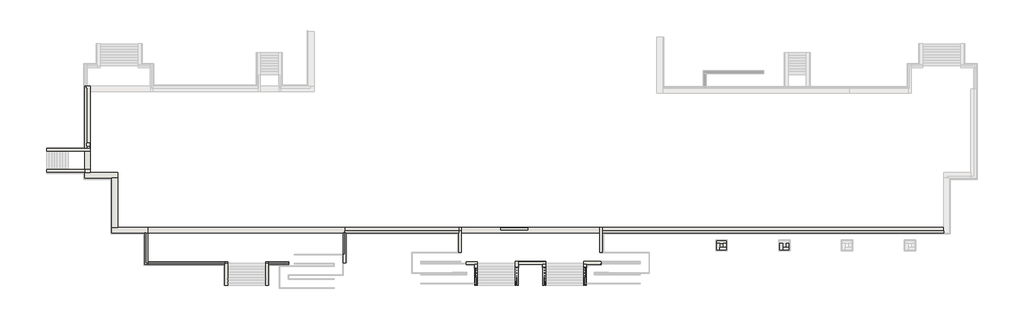
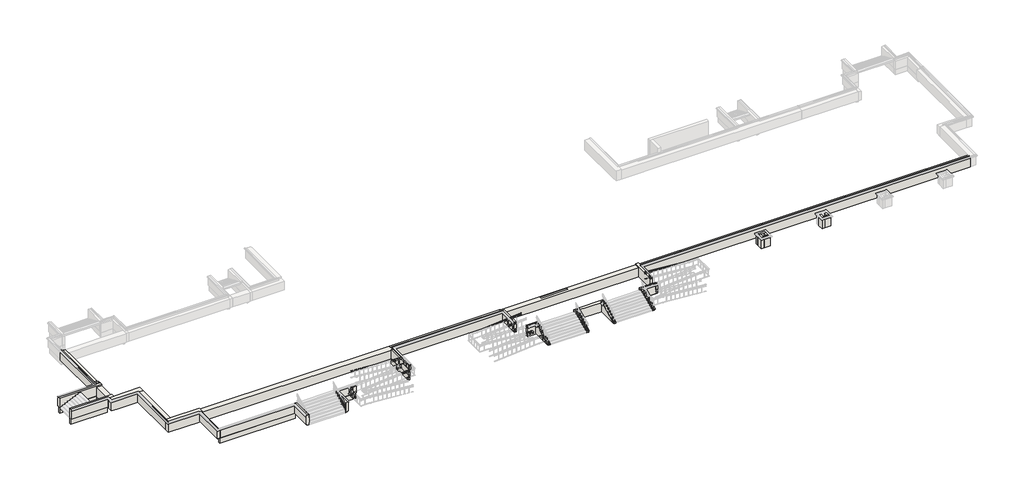
# One storey, part 1 of 10: 39 walls.
"""IFC4 building model written with IfcOpenShell, lengths in millimetres."""

import ifcopenshell
import ifcopenshell.guid

model = None  # the IFC model being written
_history = None  # IfcOwnerHistory: only IFC2X3 demands one
_inside = {}  # id of a spatial element -> (the spatial element, [elements in it])
_under = {}  # id of a project, library or spatial element -> (it, [spatial elements below it])
_declared = {}  # id of a project -> (the project, [libraries it declares])
_typed = {}  # id of a type object -> (the type object, [elements of that type])
_made_of = {}  # id of a material, layer set ... -> (it, [elements and type objects made of it])


def new_model(schema):
    """Start an empty IFC model of exactly this schema.

    Asked for "IFC4X3", IfcOpenShell would pick the latest addendum, in which some entities
    have other attributes; the version numbers below select the first issue.
    IFC2X3 requires an IfcOwnerHistory on every rooted entity: one is made here for all.
    """
    global model, _history
    if schema == "IFC4X3":
        model = ifcopenshell.file(schema_version=(4, 3, 0, 0))
    else:
        model = ifcopenshell.file(schema=schema)
    _inside.clear()
    _under.clear()
    _declared.clear()
    _typed.clear()
    _made_of.clear()
    _history = None
    if model.schema == "IFC2X3":
        org = make("IfcOrganization", Name="unknown")
        user = make(
            "IfcPersonAndOrganization",
            ThePerson=make("IfcPerson", FamilyName="unknown"),
            TheOrganization=org,
        )
        app = make(
            "IfcApplication",
            ApplicationDeveloper=org,
            Version="unknown",
            ApplicationFullName="unknown",
            ApplicationIdentifier="unknown",
        )
        _history = make(
            "IfcOwnerHistory",
            OwningUser=user,
            OwningApplication=app,
            ChangeAction="ADDED",
            CreationDate=0,
        )
    return model


def make(cls, **values):
    """One entity of the class cls with the attributes given. An attribute that is None is left unset."""
    return model.create_entity(
        cls, **{name: value for name, value in values.items() if value is not None}
    )


def rooted(cls, **values):
    """An entity with a GlobalId (a new one), such as an element, a storey or a relation."""
    return make(cls, GlobalId=ifcopenshell.guid.new(), OwnerHistory=_history, **values)


def si_unit(unit_type, name, prefix=None):
    """IfcSIUnit, for example si_unit("LENGTHUNIT", "METRE", prefix="MILLI")."""
    return make("IfcSIUnit", UnitType=unit_type, Prefix=prefix, Name=name)


def assignment(units):
    """IfcUnitAssignment: the units of a project."""
    return None if units is None else make("IfcUnitAssignment", Units=units)


def point(xyz):
    """IfcCartesianPoint."""
    return None if xyz is None else make("IfcCartesianPoint", Coordinates=xyz)


def direction(xyz):
    """IfcDirection."""
    return None if xyz is None else make("IfcDirection", DirectionRatios=xyz)


def frame(location, z_axis=None, x_axis=None):
    """IfcAxis2Placement3D, a coordinate frame: its origin and axes. An axis left out is left unset."""
    return make(
        "IfcAxis2Placement3D",
        Location=point(location),
        Axis=direction(z_axis),
        RefDirection=direction(x_axis),
    )


def origin():
    """The frame at (0, 0, 0) with its axes left unset."""
    return frame((0.0, 0.0, 0.0))


def place(relative_to, where):
    """IfcLocalPlacement: puts the frame where relative to a parent placement (None: the world)."""
    return make(
        "IfcLocalPlacement", PlacementRelTo=relative_to, RelativePlacement=where
    )


def context(
    kind, dimensions, precision=None, world=None, true_north=None, identifier=None
):
    """IfcGeometricRepresentationContext, for example the 3D "Model" context."""
    return make(
        "IfcGeometricRepresentationContext",
        ContextIdentifier=identifier,
        ContextType=kind,
        CoordinateSpaceDimension=dimensions,
        Precision=precision,
        WorldCoordinateSystem=world,
        TrueNorth=true_north,
    )


def project(units=None, contexts=None):
    """IfcProject with its units and contexts."""
    return rooted(
        "IfcProject",
        Name="project",
        RepresentationContexts=contexts,
        UnitsInContext=assignment(units),
    )


def spatial(cls, under=None, at=None, **own):
    """A site, building, storey or space (cls), placed at a placement, below another one or the project."""
    s = rooted(cls, ObjectPlacement=at, **own)
    if under is not None:
        _under.setdefault(under.id(), (under, []))[1].append(s)
    return s


def polyline(points):
    """IfcPolyline through the points."""
    return make("IfcPolyline", Points=[point(p) for p in points])


def outline(outer, holes=None, kind="AREA"):
    """IfcArbitraryClosedProfileDef: a profile drawn as a closed curve; with holes, ...WithVoids."""
    if holes is None:
        return make("IfcArbitraryClosedProfileDef", ProfileType=kind, OuterCurve=outer)
    return make(
        "IfcArbitraryProfileDefWithVoids",
        ProfileType=kind,
        OuterCurve=outer,
        InnerCurves=holes,
    )


def extrude(swept, where, along, depth):
    """IfcExtrudedAreaSolid: the profile swept, set in the frame where, extruded along a direction by depth."""
    return make(
        "IfcExtrudedAreaSolid",
        SweptArea=swept,
        Position=where,
        ExtrudedDirection=direction(along),
        Depth=depth,
    )


def faces_of(points, faces, orient=None, outer=None):
    """IfcFace entities. A face is a list of loops; a loop is a list of indices into points, from 0.

    orient and outer hold one flag for each loop. By default every Orientation is true, the
    first loop of a face is its IfcFaceOuterBound and the others are IfcFaceBound.
    """
    made = []
    for i, loops in enumerate(faces):
        bounds = []
        for j, loop in enumerate(loops):
            is_outer = j == 0 if outer is None else outer[i][j]
            bounds.append(
                make(
                    "IfcFaceOuterBound" if is_outer else "IfcFaceBound",
                    Bound=make("IfcPolyLoop", Polygon=[points[k] for k in loop]),
                    Orientation=True if orient is None else orient[i][j],
                )
            )
        made.append(make("IfcFace", Bounds=bounds))
    return made


def faceted_brep(points, faces, orient=None, outer=None, voids=None):
    """IfcFacetedBrep: a solid bounded by flat faces; with voids (closed shells), ...WithVoids."""
    shared = [point(p) for p in points]
    hull = make("IfcClosedShell", CfsFaces=faces_of(shared, faces, orient, outer))
    if voids is None:
        return make("IfcFacetedBrep", Outer=hull)
    return make(
        "IfcFacetedBrepWithVoids",
        Outer=hull,
        Voids=[
            make(cls, CfsFaces=faces_of(shared, fs, o, b)) for cls, fs, o, b in voids
        ],
    )


def shape(context_of_items, identifier, shape_type, items):
    """IfcShapeRepresentation: the items that make up one representation, for example the "Body"."""
    return make(
        "IfcShapeRepresentation",
        ContextOfItems=context_of_items,
        RepresentationIdentifier=identifier,
        RepresentationType=shape_type,
        Items=items,
    )


def made_of(thing, what):
    """Note that an element or type object is made of a material, layer set ...; save() writes the relation."""
    if what is not None:
        _made_of.setdefault(what.id(), (what, []))[1].append(thing)
    return thing


def element(
    cls,
    number,
    at=None,
    inside=None,
    cuts=None,
    type_object=None,
    material=None,
    context=None,
    identifier="Body",
    shape_type=None,
    held_by="IfcProductDefinitionShape",
    body=None,
    shapes=None,
    **own,
):
    """One element of the class cls, such as IfcWall. Its Tag is "e" and its number.

    at: its placement. inside: the storey or other place that contains it. cuts: it is an
    opening in that element (IfcRelVoidsElement). A single representation is given by context,
    identifier, shape_type and body (its items); several are given by shapes. held_by: the class
    of the entity that holds the representations. save() writes the other relations.
    """
    e = rooted(cls, Tag="e%d" % number, ObjectPlacement=at, **own)
    if body is not None:
        shapes = [shape(context, identifier, shape_type, body)]
    if shapes is not None:
        e.Representation = make(held_by, Representations=shapes)
    if inside is not None:
        _inside.setdefault(inside.id(), (inside, []))[1].append(e)
    if cuts is not None:
        rooted(
            "IfcRelVoidsElement", RelatingBuildingElement=cuts, RelatedOpeningElement=e
        )
    if type_object is not None:
        _typed.setdefault(type_object.id(), (type_object, []))[1].append(e)
    return made_of(e, material)


def aggregate(whole, parts):
    """IfcRelAggregates: a whole, such as a stair, and the parts it consists of."""
    return rooted("IfcRelAggregates", RelatingObject=whole, RelatedObjects=parts)


def save(model, path):
    """Write the relations noted so far, then the file.

    IfcRelAggregates (storeys below a building ...), IfcRelContainedInSpatialStructure (elements
    in a storey), IfcRelDefinesByType, IfcRelAssociatesMaterial and IfcRelDeclares: one each for
    every whole, place, type object, material and project.
    """
    for whole, parts in _under.values():
        aggregate(whole, parts)
    for where, things in _inside.values():
        rooted(
            "IfcRelContainedInSpatialStructure",
            RelatedElements=things,
            RelatingStructure=where,
        )
    for kind, things in _typed.values():
        rooted("IfcRelDefinesByType", RelatedObjects=things, RelatingType=kind)
    for what, things in _made_of.values():
        rooted("IfcRelAssociatesMaterial", RelatedObjects=things, RelatingMaterial=what)
    for by, libraries in _declared.values():
        rooted("IfcRelDeclares", RelatingContext=by, RelatedDefinitions=libraries)
    model.write(path)


model = new_model("IFC4")

# Units and contexts
model_context = context("Model", 3, world=origin())
ifc_project = project(units=[si_unit("LENGTHUNIT", "METRE", prefix="MILLI")], contexts=[model_context])

# Site, building, storey
site = spatial("IfcSite", under=ifc_project)
building = spatial("IfcBuilding", under=site)
storey = spatial("IfcBuildingStorey", under=building, Elevation=-1200.0)

# Walls
placement = place(None, origin())
element("IfcWall", 1, at=placement, inside=storey, context=model_context, shape_type="Brep", body=[
    faceted_brep([(-44589.9887159, -9116.8920513, 0.0), (-45099.9887159, -9116.8920513, 0.0), (-45199.9887159, -9116.8920513, 0.0), (-48199.9887159, -9116.8920513, 0.0), (-48199.9887159, -9116.8920513, -150.0), (-48199.9887159, -9116.8920513, -1100.0), (-48199.9887159, -9116.8920513, -1200.0), (-47589.9887159, -9116.8920513, -1200.0), (-45199.9887159, -9116.8920513, -1200.0), (-44589.9887159, -9116.8920513, -1200.0), (-44589.9887159, -8506.8920513, -1200.0), (-47589.9887159, -8506.8920513, -1200.0), (-48199.9887159, -8506.8920513, -1200.0), (-48199.9887159, -8506.8920513, -1100.0), (-48199.9887159, -8506.8920513, -150.0), (-48199.9887159, -8506.8920513, 0.0), (-48099.9887159, -8506.8920513, 0.0), (-47589.9887159, -8506.8920513, 0.0), (-44589.9887159, -8506.8920513, 0.0), (-44589.9887159, -9016.8920513, 0.0)], [[[0, 1, 2, 3, 4, 5, 6, 7, 8, 9]], [[10, 11, 12, 13, 14, 15, 16, 17, 18]], [[12, 11, 10, 9, 8, 7, 6]], [[1, 0, 19, 18, 17, 16, 15, 3, 2]], [[3, 15, 14, 13, 12, 6, 5, 4]], [[0, 9, 10, 18, 19]]]),
])
element("IfcWall", 2, at=placement, inside=storey, context=model_context, shape_type="Brep", body=[
    faceted_brep([(-45199.9887159, -9116.8920513, -1200.0), (-45199.9887159, -14506.8920513, -1200.0), (-45199.9887159, -14506.8920513, -1100.0), (-45199.9887159, -14506.8920513, -150.0), (-45199.9887159, -14506.8920513, 0.0), (-45199.9887159, -9116.8920513, 0.0), (-45199.9887159, -9116.8920513, -150.0), (-45199.9887159, -9116.8920513, -1100.0), (-44589.9887159, -14506.8920513, -1200.0), (-44589.9887159, -9116.8920513, -1200.0), (-44589.9887159, -9116.8920513, 0.0), (-44589.9887159, -14506.8920513, 0.0), (-45099.9887159, -14506.8920513, 0.0), (-45099.9887159, -9116.8920513, 0.0)], [[[0, 1, 2, 3, 4, 5, 6, 7]], [[8, 9, 10, 11]], [[1, 0, 9, 8]], [[5, 4, 12, 11, 10, 13]], [[1, 8, 11, 12, 4, 3, 2]], [[10, 9, 0, 7, 6, 5, 13]]]),
])
element("IfcWall", 3, at=placement, inside=storey, context=model_context, shape_type="Brep", body=[
    faceted_brep([(-41599.988716, -18616.8920513, 0.0), (-41599.988716, -15116.8920513, 0.0), (-41599.988716, -15116.8920513, -150.0), (-41599.988716, -15116.8920513, -1100.0), (-41599.988716, -15226.8920513, -1105.5), (-41599.988716, -18616.8920513, -1105.5), (-41599.988716, -18616.8920513, -150.0), (-41289.988716, -18516.8920513, 0.0), (-41289.988716, -18616.8920513, 0.0), (-41289.988716, -18616.8920513, -150.0), (-41289.988716, -18616.8920513, -1105.5), (-41289.988716, -18506.8920513, -1100.0), (-41289.988716, -18506.8920513, -1200.0), (-41289.988716, -18306.8920513, -1200.0), (-41289.988716, -15116.8920513, -1200.0), (-41289.988716, -15116.8920513, -160.0), (-41289.988716, -18306.8920513, -160.0), (-41289.988716, -18506.8920513, -160.0), (-41289.988716, -18506.8920513, 0.0), (-41489.988716, -18506.8920513, -1200.0), (-41489.988716, -15116.8920513, -1200.0), (-41489.9887159, -18506.8920513, 0.0), (-41489.9887159, -15116.8920513, 0.0), (-41499.988716, -15116.8920513, 0.0), (-41489.9887159, -15116.8920513, -160.0), (-41489.9887159, -18506.8920513, -160.0), (-41489.988716, -15116.8920513, -1100.0), (-41489.988716, -18506.8920513, -1100.0)], [[[0, 1, 2, 3, 4, 5, 6]], [[7, 8, 9, 10, 11, 12, 13, 14, 15, 16, 17, 18]], [[14, 13, 12, 19, 20]], [[1, 0, 8, 7, 18, 21, 22, 23]], [[17, 16, 15, 24, 25]], [[21, 25, 24, 22]], [[26, 27, 5, 4]], [[27, 26, 20, 19]], [[5, 27, 11, 10]], [[27, 19, 12, 11]], [[26, 4, 3]], [[25, 21, 18, 17]], [[8, 0, 6, 5, 10, 9]], [[2, 1, 23, 22, 24, 15, 14, 20, 26, 3]]]),
])
element("IfcWall", 4, at=placement, inside=storey, context=model_context, shape_type="Brep", body=[
    faceted_brep([(46210.0112841, -14506.8920513, -1200.0), (8720.0112841, -14506.8920513, -1200.0), (8720.0112841, -14506.8920513, -160.0), (46210.0112841, -14506.8920513, -160.0), (8720.0112841, -15116.8920513, -1200.0), (46210.0112841, -15116.8920513, -1200.0), (46210.0112841, -15116.8920513, -1100.0), (46210.0112841, -15116.8920513, -150.0), (46210.0112841, -15116.8920513, 0.0), (8720.0112841, -15116.8920513, 0.0), (8720.0112841, -15116.8920513, -150.0), (8720.0112841, -15116.8920513, -1100.0), (46210.0112841, -15016.8920513, 0.0), (46210.0112841, -14906.8920513, 0.0), (8720.0112841, -14906.8920513, 0.0), (8720.0112841, -15016.8920513, 0.0), (46210.0112841, -14906.8920513, -160.0), (8720.0112841, -14906.8920513, -160.0)], [[[0, 1, 2, 3]], [[4, 5, 6, 7, 8, 9, 10, 11]], [[1, 0, 5, 4]], [[9, 8, 12, 13, 14, 15]], [[5, 0, 3, 16, 13, 12, 8, 7, 6]], [[17, 16, 3, 2]], [[16, 17, 14, 13]], [[1, 4, 11, 10, 9, 15, 14, 17, 2]]]),
])
element("IfcWall", 5, at=placement, inside=storey, context=model_context, shape_type="Brep", body=[
    faceted_brep([(-32799.9887159, -20906.8920513, 0.0), (-32799.9887159, -18646.8920513, 0.0), (-32799.9887159, -18616.8920513, 0.0), (-32799.9887159, -18506.8920513, 0.0), (-32799.9887159, -18506.8920513, -160.0), (-32799.9887159, -18306.8920513, -160.0), (-32799.9887159, -18306.8920513, -1200.0), (-32799.9887159, -18506.8920513, -1200.0), (-32799.9887159, -18506.8920513, -1100.0), (-32799.9887159, -18616.8920513, -1105.5), (-32799.9887159, -20906.8920513, -1105.5), (-32799.9887159, -20906.8920513, -150.0), (-32489.9887159, -20906.8920513, -1200.0), (-32489.9887159, -18306.8920513, -1200.0), (-32489.9887159, -18306.8920513, -160.0), (-32489.9887159, -18506.8920513, -160.0), (-32489.9887159, -18506.8920513, 0.0), (-32489.9887159, -20906.8920513, 0.0), (-32689.9887159, -18506.8920513, -1100.0), (-32689.9887159, -20906.8920513, -1100.0), (-32689.9887159, -18506.8920513, -1200.0), (-32689.9887159, -20906.8920513, -1200.0), (-32689.9887159, -18306.8920513, -1200.0), (-32699.9887159, -20906.8920513, 0.0)], [[[0, 1, 2, 3, 4, 5, 6, 7, 8, 9, 10, 11]], [[12, 13, 14, 15, 16, 17]], [[18, 9, 8]], [[18, 19, 10, 9]], [[19, 18, 20, 21]], [[13, 22, 6, 5, 14]], [[20, 18, 8, 7]], [[4, 15, 14, 5]], [[15, 4, 3, 16]], [[13, 12, 21, 20, 7, 6, 22]], [[12, 17, 23, 0, 11, 10, 19, 21]], [[1, 0, 23, 17, 16, 3, 2]]]),
])
element("IfcWall", 6, at=placement, inside=storey, context=model_context, shape_type="Brep", body=[
    faceted_brep([(-28309.9887159, -18306.8920513, -1200.0), (-28309.9887159, -20906.8920513, -1200.0), (-28309.9887159, -20906.8920513, 0.0), (-28309.9887159, -18506.8920513, 0.0), (-28309.9887159, -18506.8920513, -160.0), (-28309.9887159, -18306.8920513, -160.0), (-27999.9887159, -18616.8920513, 0.0), (-27999.9887159, -20906.8920513, 0.0), (-27999.9887159, -20906.8920513, -150.0), (-27999.9887159, -20906.8920513, -1105.5), (-27999.9887159, -18616.8920513, -1105.5), (-27999.9887159, -18506.8920513, -1100.0), (-27999.9887159, -18506.8920513, -1200.0), (-27999.9887159, -18306.8920513, -1200.0), (-27999.9887159, -18306.8920513, -160.0), (-27999.9887159, -18506.8920513, -160.0), (-27999.9887159, -18506.8920513, 0.0), (-27999.9887159, -18516.8920513, 0.0), (-28109.9887159, -18506.8920513, -1100.0), (-28109.9887159, -20906.8920513, -1100.0), (-28109.9887159, -20906.8920513, -1200.0), (-28109.9887159, -18506.8920513, -1200.0), (-28109.9887159, -18306.8920513, -1200.0), (-28099.9887159, -20906.8920513, 0.0)], [[[0, 1, 2, 3, 4, 5]], [[6, 7, 8, 9, 10, 11, 12, 13, 14, 15, 16, 17]], [[10, 18, 11]], [[18, 19, 20, 21]], [[19, 18, 10, 9]], [[18, 21, 12, 11]], [[1, 0, 22, 13, 12, 21, 20]], [[2, 1, 20, 19, 9, 8, 7, 23]], [[7, 6, 17, 16, 3, 2, 23]], [[13, 22, 0, 5, 14]], [[4, 15, 14, 5]], [[15, 4, 3, 16]]]),
])
element("IfcWall", 7, at=placement, inside=storey, context=model_context, shape_type="Brep", body=[
    faceted_brep([(21300.0112841, -16306.8920513, -1200.0), (21610.0112841, -16306.8920513, -1200.0), (22010.0112841, -16306.8920513, -1200.0), (22320.0112841, -16306.8920513, -1200.0), (22320.0112841, -16306.8920513, -1100.0), (22320.0112841, -16306.8920513, -150.0), (22320.0112841, -16306.8920513, 0.0), (22220.0112841, -16306.8920513, 0.0), (22010.0112841, -16306.8920513, 0.0), (21610.0112841, -16306.8920513, 0.0), (21400.0112841, -16306.8920513, 0.0), (21300.0112841, -16306.8920513, 0.0), (21300.0112841, -16306.8920513, -150.0), (21300.0112841, -16306.8920513, -1100.0), (22320.0112841, -15996.8920513, -1200.0), (21300.0112841, -15996.8920513, -1200.0), (21300.0112841, -15996.8920513, -1100.0), (21300.0112841, -15996.8920513, -150.0), (21300.0112841, -15996.8920513, 0.0), (22320.0112841, -15996.8920513, 0.0), (22320.0112841, -15996.8920513, -150.0), (22320.0112841, -15996.8920513, -1100.0)], [[[0, 1, 2, 3, 4, 5, 6, 7, 8, 9, 10, 11, 12, 13]], [[14, 15, 16, 17, 18, 19, 20, 21]], [[3, 2, 1, 0, 15, 14]], [[19, 18, 11, 10, 9, 8, 7, 6]], [[11, 18, 17, 16, 15, 0, 13, 12]], [[3, 14, 21, 20, 19, 6, 5, 4]]]),
])
element("IfcWall", 8, at=placement, inside=storey, context=model_context, shape_type="Brep", body=[
    faceted_brep([(21300.0112841, -16306.8920513, -1200.0), (21300.0112841, -17016.8920513, -1200.0), (21300.0112841, -17016.8920513, -1100.0), (21300.0112841, -17016.8920513, -150.0), (21300.0112841, -17016.8920513, 0.0), (21300.0112841, -16306.8920513, 0.0), (21300.0112841, -16306.8920513, -150.0), (21300.0112841, -16306.8920513, -1100.0), (21610.0112841, -17016.8920513, -1200.0), (21610.0112841, -16706.8920513, -1200.0), (21610.0112841, -16306.8920513, -1200.0), (21610.0112841, -16306.8920513, 0.0), (21610.0112841, -16706.8920513, 0.0), (21610.0112841, -16916.8920513, 0.0), (21610.0112841, -17016.8920513, 0.0), (21610.0112841, -17016.8920513, -150.0), (21610.0112841, -17016.8920513, -1100.0), (21400.0112841, -16306.8920513, 0.0)], [[[0, 1, 2, 3, 4, 5, 6, 7]], [[8, 9, 10, 11, 12, 13, 14, 15, 16]], [[1, 0, 10, 9, 8]], [[5, 4, 14, 13, 12, 11, 17]], [[11, 10, 0, 7, 6, 5, 17]], [[1, 8, 16, 15, 14, 4, 3, 2]]]),
])
element("IfcWall", 9, at=placement, inside=storey, context=model_context, shape_type="Brep", body=[
    faceted_brep([(22320.0112841, -16706.8920513, -1200.0), (22010.0112841, -16706.8920513, -1200.0), (21610.0112841, -16706.8920513, -1200.0), (21610.0112841, -16706.8920513, 0.0), (22010.0112841, -16706.8920513, 0.0), (22220.0112841, -16706.8920513, 0.0), (22320.0112841, -16706.8920513, 0.0), (22320.0112841, -16706.8920513, -150.0), (22320.0112841, -16706.8920513, -1100.0), (21610.0112841, -17016.8920513, -1200.0), (22320.0112841, -17016.8920513, -1200.0), (22320.0112841, -17016.8920513, -1100.0), (22320.0112841, -17016.8920513, -150.0), (22320.0112841, -17016.8920513, 0.0), (21610.0112841, -17016.8920513, 0.0), (21610.0112841, -17016.8920513, -150.0), (21610.0112841, -17016.8920513, -1100.0), (21610.0112841, -16916.8920513, 0.0)], [[[0, 1, 2, 3, 4, 5, 6, 7, 8]], [[9, 10, 11, 12, 13, 14, 15, 16]], [[2, 1, 0, 10, 9]], [[14, 13, 6, 5, 4, 3, 17]], [[3, 2, 9, 16, 15, 14, 17]], [[6, 13, 12, 11, 10, 0, 8, 7]]]),
])
element("IfcWall", 10, at=placement, inside=storey, context=model_context, shape_type="Brep", body=[
    faceted_brep([(22010.0112841, -16306.8920513, -1200.0), (22010.0112841, -16706.8920513, -1200.0), (22010.0112841, -16706.8920513, 0.0), (22010.0112841, -16306.8920513, 0.0), (22320.0112841, -16706.8920513, -1200.0), (22320.0112841, -16306.8920513, -1200.0), (22320.0112841, -16306.8920513, -1100.0), (22320.0112841, -16306.8920513, -150.0), (22320.0112841, -16306.8920513, 0.0), (22320.0112841, -16706.8920513, 0.0), (22320.0112841, -16706.8920513, -150.0), (22320.0112841, -16706.8920513, -1100.0), (22220.0112841, -16706.8920513, 0.0), (22220.0112841, -16306.8920513, 0.0)], [[[0, 1, 2, 3]], [[4, 5, 6, 7, 8, 9, 10, 11]], [[1, 0, 5, 4]], [[3, 2, 12, 9, 8, 13]], [[0, 3, 13, 8, 7, 6, 5]], [[2, 1, 4, 11, 10, 9, 12]]]),
])
element("IfcWall", 11, at=placement, inside=storey, context=model_context, shape_type="Brep", body=[
    faceted_brep([(28200.0112841, -16306.8920513, -1200.0), (28200.0112841, -17016.8920513, -1200.0), (28200.0112841, -17016.8920513, -1100.0), (28200.0112841, -17016.8920513, -150.0), (28200.0112841, -17016.8920513, 0.0), (28200.0112841, -16306.8920513, 0.0), (28200.0112841, -16306.8920513, -150.0), (28200.0112841, -16306.8920513, -1100.0), (28510.0112841, -17016.8920513, -1200.0), (28510.0112841, -16706.8920513, -1200.0), (28510.0112841, -16306.8920513, -1200.0), (28510.0112841, -16306.8920513, 0.0), (28510.0112841, -16706.8920513, 0.0), (28510.0112841, -16916.8920513, 0.0), (28510.0112841, -17016.8920513, 0.0), (28510.0112841, -17016.8920513, -150.0), (28510.0112841, -17016.8920513, -1100.0), (28300.0112841, -16306.8920513, 0.0)], [[[0, 1, 2, 3, 4, 5, 6, 7]], [[8, 9, 10, 11, 12, 13, 14, 15, 16]], [[1, 0, 10, 9, 8]], [[5, 4, 14, 13, 12, 11, 17]], [[11, 10, 0, 7, 6, 5, 17]], [[1, 8, 16, 15, 14, 4, 3, 2]]]),
])
element("IfcWall", 12, at=placement, inside=storey, context=model_context, shape_type="Brep", body=[
    faceted_brep([(29220.0112841, -16706.8920513, -1200.0), (28910.0112841, -16706.8920513, -1200.0), (28510.0112841, -16706.8920513, -1200.0), (28510.0112841, -16706.8920513, 0.0), (28910.0112841, -16706.8920513, 0.0), (29120.0112841, -16706.8920513, 0.0), (29220.0112841, -16706.8920513, 0.0), (29220.0112841, -16706.8920513, -150.0), (29220.0112841, -16706.8920513, -1100.0), (28510.0112841, -17016.8920513, -1200.0), (29220.0112841, -17016.8920513, -1200.0), (29220.0112841, -17016.8920513, -1100.0), (29220.0112841, -17016.8920513, -150.0), (29220.0112841, -17016.8920513, 0.0), (28510.0112841, -17016.8920513, 0.0), (28510.0112841, -17016.8920513, -150.0), (28510.0112841, -17016.8920513, -1100.0), (28510.0112841, -16916.8920513, 0.0)], [[[0, 1, 2, 3, 4, 5, 6, 7, 8]], [[9, 10, 11, 12, 13, 14, 15, 16]], [[2, 1, 0, 10, 9]], [[14, 13, 6, 5, 4, 3, 17]], [[3, 2, 9, 16, 15, 14, 17]], [[6, 13, 12, 11, 10, 0, 8, 7]]]),
])
element("IfcWall", 13, at=placement, inside=storey, context=model_context, shape_type="Brep", body=[
    faceted_brep([(28910.0112841, -16306.8920513, -1200.0), (28910.0112841, -16706.8920513, -1200.0), (28910.0112841, -16706.8920513, 0.0), (28910.0112841, -16306.8920513, 0.0), (29220.0112841, -16706.8920513, -1200.0), (29220.0112841, -16306.8920513, -1200.0), (29220.0112841, -16306.8920513, -1100.0), (29220.0112841, -16306.8920513, -150.0), (29220.0112841, -16306.8920513, 0.0), (29220.0112841, -16706.8920513, 0.0), (29220.0112841, -16706.8920513, -150.0), (29220.0112841, -16706.8920513, -1100.0), (29120.0112841, -16706.8920513, 0.0), (29120.0112841, -16306.8920513, 0.0)], [[[0, 1, 2, 3]], [[4, 5, 6, 7, 8, 9, 10, 11]], [[1, 0, 5, 4]], [[3, 2, 12, 9, 8, 13]], [[0, 3, 13, 8, 7, 6, 5]], [[2, 1, 4, 11, 10, 9, 12]]]),
])
element("IfcWall", 14, at=placement, inside=storey, context=model_context, shape_type="Brep", body=[
    faceted_brep([(-5339.9887159, -18966.8920513, 0.0), (-5339.9887159, -18646.8920513, 0.0), (-5339.9887159, -18616.8920513, 0.0), (-5339.9887159, -18616.8920513, -1105.5), (-5339.9887159, -20906.8920513, -1105.5), (-5339.9887159, -20906.8920513, -1050.0), (-5029.9887159, -20906.8920513, -1200.0), (-5029.9887159, -18616.8920513, -1200.0), (-5029.9887159, -18616.8920513, 0.0), (-5029.9887159, -18966.8920513, 0.0), (-5029.9887159, -20906.8920513, -1050.0), (-5229.9887159, -20906.8920513, -1200.0), (-5229.9887159, -18616.8920513, -1200.0), (-5229.9887159, -20906.8920513, -1100.0), (-5239.9887159, -18966.8920513, 0.0), (-5229.9887159, -18616.8920513, -1100.0)], [[[0, 1, 2, 3, 4, 5]], [[6, 7, 8, 9, 10]], [[7, 6, 11, 12]], [[6, 10, 5, 4, 13, 11]], [[9, 8, 2, 1, 0, 14]], [[0, 5, 10, 9, 14]], [[15, 13, 4, 3]], [[13, 15, 12, 11]], [[2, 8, 7, 12, 15, 3]]]),
])
element("IfcWall", 15, at=placement, inside=storey, context=model_context, shape_type="Brep", body=[
    faceted_brep([(-849.9887159, -18296.8920513, -1200.0), (-849.9887159, -20906.8920513, -1200.0), (-849.9887159, -20906.8920513, -1050.0), (-849.9887159, -18956.8920513, 0.0), (-849.9887159, -18296.8920513, 0.0), (-539.9887159, -18296.8920513, 0.0), (-539.9887159, -18606.8920513, 0.0), (-539.9887159, -18956.8920513, 0.0), (-539.9887159, -20906.8920513, -1050.0), (-539.9887159, -20906.8920513, -1105.5), (-539.9887159, -18606.8920513, -1105.5), (-539.9887159, -18496.8920513, -1100.0), (-539.9887159, -18496.8920513, -1200.0), (-539.9887159, -18296.8920513, -1200.0), (-649.9887159, -18496.8920513, -1200.0), (-649.9887159, -20906.8920513, -1200.0), (-649.9887159, -20906.8920513, -1100.0), (-639.9887159, -18956.8920513, 0.0), (-649.9887159, -18496.8920513, -1100.0)], [[[0, 1, 2, 3, 4]], [[5, 6, 7, 8, 9, 10, 11, 12, 13]], [[1, 0, 13, 12, 14, 15]], [[2, 1, 15, 16, 9, 8]], [[4, 3, 17, 7, 6, 5]], [[3, 2, 8, 7, 17]], [[18, 16, 15, 14]], [[16, 18, 10, 9]], [[0, 4, 5, 13]], [[18, 14, 12, 11]], [[10, 18, 11]]]),
])
element("IfcWall", 16, at=placement, inside=storey, context=model_context, shape_type="Brep", body=[
    faceted_brep([(2160.0112841, -18956.8920513, 0.0), (2160.0112841, -18636.8920513, 0.0), (2160.0112841, -18606.8920513, 0.0), (2160.0112841, -18606.8920513, -1105.5), (2160.0112841, -20906.8920513, -1105.5), (2160.0112841, -20906.8920513, -1050.0), (2470.0112841, -20906.8920513, -1200.0), (2470.0112841, -18606.8920513, -1200.0), (2470.0112841, -18606.8920513, 0.0), (2470.0112841, -18956.8920513, 0.0), (2470.0112841, -20906.8920513, -1050.0), (2270.0112841, -20906.8920513, -1200.0), (2270.0112841, -18606.8920513, -1200.0), (2270.0112841, -20906.8920513, -1100.0), (2260.0112841, -18956.8920513, 0.0), (2270.0112841, -18606.8920513, -1100.0)], [[[0, 1, 2, 3, 4, 5]], [[6, 7, 8, 9, 10]], [[7, 6, 11, 12]], [[6, 10, 5, 4, 13, 11]], [[9, 8, 2, 1, 0, 14]], [[0, 5, 10, 9, 14]], [[15, 13, 4, 3]], [[13, 15, 12, 11]], [[2, 8, 7, 12, 15, 3]]]),
])
element("IfcWall", 17, at=placement, inside=storey, context=model_context, shape_type="Brep", body=[
    faceted_brep([(6650.0112841, -18606.8920513, -1200.0), (6650.0112841, -20906.8920513, -1200.0), (6650.0112841, -20906.8920513, -1050.0), (6650.0112841, -18956.8920513, 0.0), (6650.0112841, -18606.8920513, 0.0), (6960.0112841, -18606.8920513, 0.0), (6960.0112841, -18956.8920513, 0.0), (6960.0112841, -20906.8920513, -1050.0), (6960.0112841, -20906.8920513, -1105.5), (6960.0112841, -18606.8920513, -1105.5), (6960.0112841, -18606.8920513, -150.0), (6850.0112841, -18606.8920513, -1200.0), (6850.0112841, -20906.8920513, -1200.0), (6850.0112841, -20906.8920513, -1100.0), (6860.0112841, -18956.8920513, 0.0), (6860.0112841, -18606.8920513, 0.0), (6850.0112841, -18606.8920513, -1100.0)], [[[0, 1, 2, 3, 4]], [[5, 6, 7, 8, 9, 10]], [[1, 0, 11, 12]], [[2, 1, 12, 13, 8, 7]], [[4, 3, 14, 6, 5, 15]], [[3, 2, 7, 6, 14]], [[16, 13, 12, 11]], [[13, 16, 9, 8]], [[0, 4, 15, 5, 10, 9, 16, 11]]]),
])
element("IfcWall", 18, at=placement, inside=storey, context=model_context, shape_type="Brep", body=[
    faceted_brep([(-19634.9887159, -14506.8920513, -1200.0), (-41289.988716, -14506.8920513, -1200.0), (-41289.988716, -14506.8920513, -160.0), (-19634.9887159, -14506.8920513, -160.0), (-41289.988716, -15116.8920513, -1200.0), (-19789.9887159, -15116.8920513, -1200.0), (-19634.9887159, -15116.8920513, -1200.0), (-19634.9887159, -15116.8920513, -1100.0), (-19634.9887159, -15116.8920513, -160.0), (-41289.988716, -15116.8920513, -160.0)], [[[0, 1, 2, 3]], [[4, 5, 6, 7, 8, 9]], [[1, 0, 6, 5, 4]], [[6, 0, 3, 8, 7]], [[3, 2, 9, 8]], [[1, 4, 9, 2]]]),
])
element("IfcWall", 19, at=placement, inside=storey, context=model_context, shape_type="Brep", body=[
    faceted_brep([(-41289.988716, -14506.8920513, -1200.0), (-44589.9887159, -14506.8920513, -1200.0), (-45199.9887159, -14506.8920513, -1200.0), (-45199.9887159, -14506.8920513, -1100.0), (-45199.9887159, -14506.8920513, -150.0), (-45199.9887159, -14506.8920513, 0.0), (-45099.9887159, -14506.8920513, 0.0), (-44589.9887159, -14506.8920513, 0.0), (-41289.988716, -14506.8920513, 0.0), (-41289.988716, -14506.8920513, -160.0), (-45199.9887159, -15116.8920513, 0.0), (-45199.9887159, -15116.8920513, -150.0), (-45199.9887159, -15116.8920513, -1100.0), (-45199.9887159, -15116.8920513, -1200.0), (-41489.988716, -15116.8920513, -1200.0), (-41289.988716, -15116.8920513, -1200.0), (-41289.988716, -15116.8920513, -160.0), (-41289.988716, -15116.8920513, 0.0), (-41489.9887159, -15116.8920513, 0.0), (-41599.988716, -15116.8920513, 0.0), (-41644.9887159, -15116.8920513, 0.0)], [[[0, 1, 2, 3, 4, 5, 6, 7, 8, 9]], [[10, 11, 12, 13, 14, 15, 16, 17, 18, 19, 20]], [[2, 1, 0, 15, 14, 13]], [[5, 10, 20, 19, 18, 17, 8, 7, 6]], [[2, 13, 12, 11, 10, 5, 4, 3]], [[0, 9, 8, 17, 16, 15]]]),
])
element("IfcWall", 20, at=placement, inside=storey, context=model_context, shape_type="Brep", body=[
    faceted_brep([(-7099.988716, -17296.8920513, -150.0), (-7099.988716, -17296.8920513, 0.0), (-7099.988716, -15116.8920513, 0.0), (-7099.988716, -15016.8920513, 0.0), (-7099.988716, -14906.8920513, 0.0), (-7099.988716, -14906.8920513, -160.0), (-7099.988716, -14506.8920513, -160.0), (-7099.988716, -14506.8920513, -1200.0), (-7099.988716, -15116.8920513, -1200.0), (-7099.988716, -15116.8920513, -1105.5), (-7099.988716, -17296.8920513, -1105.5), (-6789.988716, -17296.8920513, -1200.0), (-6789.988716, -15116.8920513, -1200.0), (-6789.988716, -14506.8920513, -1200.0), (-6789.988716, -14506.8920513, -160.0), (-6789.988716, -14906.8920513, -160.0), (-6789.988716, -14906.8920513, 0.0), (-6789.988716, -17276.8920513, 0.0), (-6789.988716, -17296.8920513, 0.0), (-6989.988716, -17296.8920513, -1200.0), (-6989.988716, -15116.8920513, -1200.0), (-6999.988716, -17296.8920513, 0.0), (-6989.988716, -17296.8920513, -1100.0), (-6989.988716, -15116.8920513, -1100.0)], [[[0, 1, 2, 3, 4, 5, 6, 7, 8, 9, 10]], [[11, 12, 13, 14, 15, 16, 17, 18]], [[13, 12, 11, 19, 20, 8, 7]], [[11, 18, 21, 1, 0, 10, 22, 19]], [[21, 18, 17, 16, 4, 3, 2, 1]], [[23, 9, 8, 20]], [[23, 22, 10, 9]], [[22, 23, 20, 19]], [[5, 15, 14, 6]], [[15, 5, 4, 16]], [[13, 7, 6, 14]]]),
])
element("IfcWall", 21, at=placement, inside=storey, context=model_context, shape_type="Brep", body=[
    faceted_brep([(-7099.988716, -14506.8920513, -1200.0), (-19634.9887159, -14506.8920513, -1200.0), (-19634.9887159, -14506.8920513, -160.0), (-7099.988716, -14506.8920513, -160.0), (-19634.9887159, -15116.8920513, -1200.0), (-19589.9887159, -15116.8920513, -1200.0), (-7099.988716, -15116.8920513, -1200.0), (-7099.988716, -15116.8920513, -1105.5), (-7099.988716, -15116.8920513, -1100.0), (-7099.988716, -15116.8920513, -150.0), (-7099.988716, -15116.8920513, 0.0), (-19479.9887159, -15116.8920513, 0.0), (-19579.9887159, -15116.8920513, 0.0), (-19589.9887159, -15116.8920513, 0.0), (-19589.9887159, -15116.8920513, -160.0), (-19634.9887159, -15116.8920513, -160.0), (-7099.988716, -15016.8920513, 0.0), (-7099.988716, -14906.8920513, 0.0), (-19589.9887159, -14906.8920513, 0.0), (-19589.9887159, -14906.8920513, -160.0), (-7099.988716, -14906.8920513, -160.0)], [[[0, 1, 2, 3]], [[4, 5, 6, 7, 8, 9, 10, 11, 12, 13, 14, 15]], [[1, 0, 6, 5, 4]], [[1, 4, 15, 2]], [[11, 10, 16, 17, 18, 13, 12]], [[19, 20, 3, 2, 15, 14]], [[19, 18, 17, 20]], [[18, 19, 14, 13]], [[6, 0, 3, 20, 17, 16, 10, 9, 8, 7]]]),
])
element("IfcWall", 22, at=placement, inside=storey, context=model_context, shape_type="Brep", body=[
    faceted_brep([(8720.0112841, -17296.8920513, 0.0), (8720.0112841, -17296.8920513, -150.0), (8720.0112841, -17296.8920513, -1105.5), (8720.0112841, -15226.8920513, -1105.5), (8720.0112841, -15116.8920513, -1100.0), (8720.0112841, -15116.8920513, -1200.0), (8720.0112841, -14506.8920513, -1200.0), (8720.0112841, -14506.8920513, -300.0), (8720.0112841, -14506.8920513, 0.0), (8720.0112841, -14906.8920513, 0.0), (8720.0112841, -15016.8920513, 0.0), (8720.0112841, -15116.8920513, 0.0), (8410.0112841, -14506.8920513, -1200.0), (8410.0112841, -15116.8920513, -1200.0), (8410.0112841, -17296.8920513, -1200.0), (8410.0112841, -17296.8920513, 0.0), (8410.0112841, -14506.8920513, 0.0), (8410.0112841, -14506.8920513, -300.0), (8610.0112841, -15116.8920513, -1200.0), (8610.0112841, -17296.8920513, -1200.0), (8620.0112841, -17296.8920513, 0.0), (8610.0112841, -17296.8920513, -1100.0), (8610.0112841, -15116.8920513, -1100.0)], [[[0, 1, 2, 3, 4, 5, 6, 7, 8, 9, 10, 11]], [[12, 13, 14, 15, 16, 17]], [[14, 13, 12, 6, 5, 18, 19]], [[16, 15, 20, 0, 11, 10, 9, 8]], [[15, 14, 19, 21, 2, 1, 0, 20]], [[21, 22, 3, 2]], [[22, 21, 19, 18]], [[3, 22, 4]], [[22, 18, 5, 4]], [[8, 7, 6, 12, 17, 16]]]),
])
element("IfcWall", 23, at=placement, inside=storey, context=model_context, shape_type="Brep", body=[
    faceted_brep([(8410.0112841, -14506.8920513, -1200.0), (-6789.988716, -14506.8920513, -1200.0), (-6789.988716, -14506.8920513, -160.0), (7910.0112841, -14506.8920513, -160.0), (8110.0112841, -14506.8920513, -160.0), (8410.0112841, -14506.8920513, -160.0), (-6789.988716, -15116.8920513, -1200.0), (8410.0112841, -15116.8920513, -1200.0), (8410.0112841, -15116.8920513, -160.0), (-6789.988716, -15116.8920513, -160.0), (-6789.988716, -14906.8920513, -160.0), (8410.0112841, -14906.8920513, -160.0), (-2489.9887159, -14806.8920513, -160.0), (-2489.9887159, -14606.8920513, -160.0), (510.0112841, -14606.8920513, -160.0), (510.0112841, -14806.8920513, -160.0), (-2489.9887159, -14606.8920513, -500.0), (-2489.9887159, -14806.8920513, -500.0), (510.0112841, -14806.8920513, -500.0), (510.0112841, -14606.8920513, -500.0)], [[[0, 1, 2, 3, 4, 5]], [[6, 7, 8, 9]], [[1, 0, 7, 6]], [[5, 4, 3, 2, 10, 9, 8, 11], [12, 13, 14, 15]], [[1, 6, 9, 10, 2]], [[7, 0, 5, 11, 8]], [[16, 13, 12, 17]], [[18, 15, 14, 19]], [[13, 16, 19, 14]], [[16, 17, 18, 19]], [[17, 12, 15, 18]]]),
])
element("IfcWall", 24, at=placement, inside=storey, context=model_context, shape_type="Brep", body=[
    faceted_brep([(-6239.9887159, -18616.8920513, -1200.0), (-5229.9887159, -18616.8920513, -1200.0), (-5029.9887159, -18616.8920513, -1200.0), (-5029.9887159, -18616.8920513, 0.0), (-5339.9887159, -18616.8920513, 0.0), (-5414.9887159, -18616.8920513, 0.0), (-6239.9887159, -18616.8920513, 0.0), (-6239.9887159, -18616.8920513, -150.0), (-5029.9887159, -18306.8920513, -1200.0), (-6239.9887159, -18306.8920513, -1200.0), (-6239.9887159, -18306.8920513, -160.0), (-6239.9887159, -18306.8920513, 0.0), (-5029.9887159, -18306.8920513, 0.0), (-5029.9887159, -18306.8920513, -160.0), (-6239.9887159, -18516.8920513, 0.0), (-5029.9887159, -18506.8920513, 0.0)], [[[0, 1, 2, 3, 4, 5, 6, 7]], [[8, 9, 10, 11, 12, 13]], [[2, 1, 0, 9, 8]], [[12, 11, 14, 6, 5, 4, 3, 15]], [[9, 0, 7, 6, 14, 11, 10]], [[3, 2, 8, 13, 12, 15]]]),
])
element("IfcWall", 25, at=placement, inside=storey, context=model_context, shape_type="Brep", body=[
    faceted_brep([(2110.0112841, -18606.8920513, 0.0), (-539.9887159, -18606.8920513, 0.0), (-539.9887159, -18606.8920513, -1105.5), (2160.0112841, -18606.8920513, -1105.5), (2270.0112841, -18606.8920513, -1100.0), (2270.0112841, -18606.8920513, -1200.0), (2470.0112841, -18606.8920513, -1200.0), (2470.0112841, -18606.8920513, 0.0), (2160.0112841, -18606.8920513, 0.0), (2470.0112841, -18296.8920513, -1200.0), (-539.9887159, -18296.8920513, -1200.0), (-539.9887159, -18296.8920513, -160.0), (2470.0112841, -18296.8920513, -160.0), (2270.0112841, -18496.8920513, -1200.0), (-539.9887159, -18496.8920513, -1200.0), (2470.0112841, -18506.8920513, 0.0), (2470.0112841, -18306.8920513, 0.0), (-539.9887159, -18306.8920513, 0.0), (-539.9887159, -18496.8920513, -1100.0), (2270.0112841, -18496.8920513, -1100.0), (-539.9887159, -18306.8920513, -160.0), (2470.0112841, -18306.8920513, -160.0)], [[[0, 1, 2, 3, 4, 5, 6, 7, 8]], [[9, 10, 11, 12]], [[10, 9, 6, 5, 13, 14]], [[1, 0, 8, 7, 15, 16, 17]], [[3, 2, 18, 19]], [[14, 13, 19, 18]], [[2, 1, 17, 20, 11, 10, 14, 18]], [[7, 6, 9, 12, 21, 16, 15]], [[3, 19, 4]], [[19, 13, 5, 4]], [[20, 21, 12, 11]], [[21, 20, 17, 16]]]),
])
element("IfcWall", 26, at=placement, inside=storey, context=model_context, shape_type="Brep", body=[
    faceted_brep([(6650.0112841, -18606.8920513, 0.0), (6650.0112841, -18606.8920513, -1200.0), (6850.0112841, -18606.8920513, -1200.0), (6850.0112841, -18606.8920513, -1100.0), (6960.0112841, -18606.8920513, -1105.5), (8565.0112841, -18606.8920513, -1105.5), (8565.0112841, -18606.8920513, -150.0), (8565.0112841, -18606.8920513, 0.0), (6960.0112841, -18606.8920513, 0.0), (6860.0112841, -18606.8920513, 0.0), (8565.0112841, -18296.8920513, -1200.0), (6650.0112841, -18296.8920513, -1200.0), (6650.0112841, -18296.8920513, 0.0), (8565.0112841, -18296.8920513, 0.0), (8565.0112841, -18496.8920513, -1200.0), (6850.0112841, -18496.8920513, -1200.0), (8565.0112841, -18506.8920513, 0.0), (8565.0112841, -18496.8920513, -1100.0), (6850.0112841, -18496.8920513, -1100.0)], [[[0, 1, 2, 3, 4, 5, 6, 7, 8, 9]], [[10, 11, 12, 13]], [[11, 10, 14, 15, 2, 1]], [[10, 13, 16, 7, 6, 5, 17, 14]], [[13, 12, 0, 9, 8, 7, 16]], [[18, 4, 3]], [[15, 18, 3, 2]], [[18, 17, 5, 4]], [[17, 18, 15, 14]], [[1, 0, 12, 11]]]),
])
element("IfcWall", 27, at=placement, inside=storey, context=model_context, shape_type="Brep", body=[
    faceted_brep([(-41289.988716, -18506.8920513, -1800.0), (-32689.9887159, -18506.8920513, -1800.0), (-32689.9887159, -18506.8920513, -1200.0), (-32799.9887159, -18506.8920513, -1200.0), (-41289.988716, -18506.8920513, -1200.0), (-41289.988716, -18306.8920513, -1800.0), (-41289.988716, -18306.8920513, -1200.0), (-32799.9887159, -18306.8920513, -1200.0), (-32689.9887159, -18306.8920513, -1200.0), (-32689.9887159, -18306.8920513, -1800.0)], [[[0, 1, 2, 3, 4]], [[5, 6, 7, 8, 9]], [[1, 0, 5, 9]], [[4, 3, 2, 8, 7, 6]], [[0, 4, 6, 5]], [[2, 1, 9, 8]]]),
])
element("IfcWall", 28, at=placement, inside=storey, context=model_context, shape_type="Brep", body=[
    faceted_brep([(-32799.9887159, -18616.8920513, 0.0), (-41289.988716, -18616.8920513, 0.0), (-41289.988716, -18616.8920513, -150.0), (-41289.988716, -18616.8920513, -1105.5), (-32799.9887159, -18616.8920513, -1105.5), (-32799.9887159, -18616.8920513, -150.0), (-32799.9887159, -18306.8920513, -1200.0), (-41289.988716, -18306.8920513, -1200.0), (-41289.988716, -18306.8920513, -160.0), (-32799.9887159, -18306.8920513, -160.0), (-32799.9887159, -18306.8920513, -300.0), (-32799.9887159, -18506.8920513, -1200.0), (-41289.988716, -18506.8920513, -1200.0), (-32799.9887159, -18516.8920513, 0.0), (-32799.9887159, -18506.8920513, 0.0), (-41289.988716, -18506.8920513, 0.0), (-41289.988716, -18516.8920513, 0.0), (-41289.988716, -18506.8920513, -1100.0), (-32799.9887159, -18506.8920513, -1100.0), (-41289.988716, -18506.8920513, -160.0), (-32799.9887159, -18506.8920513, -160.0)], [[[0, 1, 2, 3, 4, 5]], [[6, 7, 8, 9, 10]], [[7, 6, 11, 12]], [[1, 0, 13, 14, 15, 16]], [[4, 3, 17, 18]], [[12, 11, 18, 17]], [[2, 1, 16, 15, 19, 8, 7, 12, 17, 3]], [[0, 5, 4, 18, 11, 6, 10, 9, 20, 14, 13]], [[19, 20, 9, 8]], [[20, 19, 15, 14]]]),
])
element("IfcWall", 29, at=placement, inside=storey, context=model_context, shape_type="SweptSolid", body=[
    extrude(outline(polyline([(-19589.9887159, -15116.8920513), (-19589.9887159, -18461.8920513), (-19789.9887159, -18461.8920513), (-19789.9887159, -15116.8920513), (-19589.9887159, -15116.8920513)])), frame((0.0, 0.0, -1800.0), z_axis=(0.0, 0.0, 1.0), x_axis=(1.0, 0.0, 0.0)), (0.0, 0.0, 1.0), 600.0),
])
element("IfcWall", 30, at=placement, inside=storey, context=model_context, shape_type="Brep", body=[
    faceted_brep([(-19479.9887159, -15116.8920513, 0.0), (-19479.9887159, -18461.8920513, 0.0), (-19479.9887159, -18461.8920513, -150.0), (-19479.9887159, -18461.8920513, -1105.5), (-19479.9887159, -15226.8920513, -1105.5), (-19479.9887159, -15116.8920513, -1105.5), (-19479.9887159, -15116.8920513, -1100.0), (-19479.9887159, -15116.8920513, -150.0), (-19789.9887159, -15116.8920513, -1200.0), (-19789.9887159, -18461.8920513, -1200.0), (-19789.9887159, -18461.8920513, 0.0), (-19789.9887159, -17506.8920513, 0.0), (-19789.9887159, -17506.8920513, -160.0), (-19789.9887159, -15116.8920513, -160.0), (-19634.9887159, -15116.8920513, -1200.0), (-19589.9887159, -15116.8920513, -1200.0), (-19589.9887159, -18461.8920513, -1200.0), (-19579.9887159, -15116.8920513, 0.0), (-19589.9887159, -15116.8920513, 0.0), (-19589.9887159, -17506.8920513, 0.0), (-19579.9887159, -18461.8920513, 0.0), (-19589.9887159, -18461.8920513, -1100.0), (-19589.9887159, -15116.8920513, -1100.0), (-19634.9887159, -15116.8920513, -160.0), (-19589.9887159, -15116.8920513, -160.0), (-19589.9887159, -17506.8920513, -160.0)], [[[0, 1, 2, 3, 4, 5, 6, 7]], [[8, 9, 10, 11, 12, 13]], [[9, 8, 14, 15, 16]], [[1, 0, 17, 18, 19, 11, 10, 20]], [[10, 9, 16, 21, 3, 2, 1, 20]], [[21, 22, 5, 4, 3]], [[22, 21, 16, 15]], [[0, 7, 6, 5, 22, 15, 14, 8, 13, 23, 24, 18, 17]], [[12, 25, 24, 23, 13]], [[25, 19, 18, 24]], [[19, 25, 12, 11]]]),
])
element("IfcWall", 31, at=placement, inside=storey, context=model_context, shape_type="SweptSolid", body=[
    extrude(outline(polyline([(-52389.9887159, -5946.8920513), (-48199.9887159, -5946.8920513), (-48199.9887159, -6146.8920513), (-52389.9887159, -6146.8920513), (-52389.9887159, -5946.8920513)])), frame((0.0, 0.0, -1800.0), z_axis=(0.0, 0.0, 1.0), x_axis=(1.0, 0.0, 0.0)), (0.0, 0.0, 1.0), 600.0),
])
element("IfcWall", 32, at=placement, inside=storey, context=model_context, shape_type="Brep", body=[
    faceted_brep([(-52389.9887159, -5836.8920513, 0.0), (-48199.9887159, -5836.8920513, 0.0), (-48099.9887159, -5836.8920513, 0.0), (-47989.9887159, -5836.8920513, 0.0), (-47593.7175295, -5836.8920513, 0.0), (-47589.9887159, -5836.8920513, 0.0), (-47589.9887159, -5836.8920513, -1200.0), (-48199.9887159, -5836.8920513, -1200.0), (-48199.9887159, -5836.8920513, -1100.0), (-48309.9887159, -5836.8920513, -1105.5), (-52389.9887159, -5836.8920513, -1105.5), (-52389.9887159, -5836.8920513, -150.0), (-52389.9887159, -6146.8920513, -1200.0), (-48199.9887159, -6146.8920513, -1200.0), (-47589.9887159, -6146.8920513, -1200.0), (-47589.9887159, -6146.8920513, -300.0), (-47589.9887159, -6146.8920513, 0.0), (-52389.9887159, -6146.8920513, 0.0), (-52389.9887159, -5946.8920513, -1200.0), (-48199.9887159, -5946.8920513, -1200.0), (-52389.9887159, -5936.8920513, 0.0), (-52389.9887159, -5946.8920513, -1100.0), (-48199.9887159, -5946.8920513, -1100.0)], [[[0, 1, 2, 3, 4, 5, 6, 7, 8, 9, 10, 11]], [[12, 13, 14, 15, 16, 17]], [[14, 13, 12, 18, 19, 7, 6]], [[12, 17, 20, 0, 11, 10, 21, 18]], [[17, 16, 5, 4, 3, 2, 1, 0, 20]], [[21, 22, 19, 18]], [[22, 21, 10, 9]], [[22, 9, 8]], [[19, 22, 8, 7]], [[6, 5, 16, 15, 14]]]),
])
element("IfcWall", 33, at=placement, inside=storey, context=model_context, shape_type="SweptSolid", body=[
    extrude(outline(polyline([(-52389.9887159, -8146.8920513), (-48199.9887159, -8146.8920513), (-48199.9887159, -8346.8920513), (-52389.9887159, -8346.8920513), (-52389.9887159, -8146.8920513)])), frame((0.0, 0.0, -1800.0), z_axis=(0.0, 0.0, 1.0), x_axis=(1.0, 0.0, 0.0)), (0.0, 0.0, 1.0), 600.0),
])
element("IfcWall", 34, at=placement, inside=storey, context=model_context, shape_type="Brep", body=[
    faceted_brep([(-48199.9887159, -8146.8920513, -1200.0), (-52389.9887159, -8146.8920513, -1200.0), (-52389.9887159, -8146.8920513, 0.0), (-48199.9887159, -8146.8920513, 0.0), (-48199.9887159, -8456.8920513, 0.0), (-52389.9887159, -8456.8920513, 0.0), (-52389.9887159, -8456.8920513, -150.0), (-52389.9887159, -8456.8920513, -1105.5), (-48309.9887159, -8456.8920513, -1105.5), (-48199.9887159, -8456.8920513, -1100.0), (-48199.9887159, -8456.8920513, -150.0), (-48199.9887159, -8346.8920513, -1200.0), (-52389.9887159, -8346.8920513, -1200.0), (-52389.9887159, -8346.8920513, -1100.0), (-52389.9887159, -8356.8920513, 0.0), (-48199.9887159, -8356.8920513, 0.0), (-48199.9887159, -8346.8920513, -1100.0)], [[[0, 1, 2, 3]], [[4, 5, 6, 7, 8, 9, 10]], [[1, 0, 11, 12]], [[2, 1, 12, 13, 7, 6, 5, 14]], [[3, 2, 14, 5, 4, 15]], [[16, 13, 12, 11]], [[13, 16, 8, 7]], [[8, 16, 9]], [[0, 3, 15, 4, 10, 9, 16, 11]]]),
])
element("IfcWall", 35, at=placement, inside=storey, context=model_context, shape_type="Brep", body=[
    faceted_brep([(-47589.9887159, -5836.8920513, -1200.0), (-47589.9887159, 393.1079487, -1200.0), (-47589.9887159, 1003.1079487, -1200.0), (-47589.9887159, 1003.1079487, -160.0), (-47589.9887159, 393.1079487, -160.0), (-47589.9887159, -5506.8920513, -160.0), (-47589.9887159, -5506.8920513, 0.0), (-47589.9887159, -5836.8920513, 0.0), (-48199.9887159, 1003.1079487, -1200.0), (-48199.9887159, -5836.8920513, -1200.0), (-48199.9887159, -5836.8920513, -1100.0), (-48199.9887159, -5836.8920513, -150.0), (-48199.9887159, -5836.8920513, 0.0), (-48199.9887159, 1003.1079487, 0.0), (-48199.9887159, 1003.1079487, -150.0), (-48199.9887159, 1003.1079487, -1100.0), (-48199.9887159, 1003.1079487, -1105.5), (-48089.9887159, 1003.1079487, -1200.0), (-47889.9887159, 1003.1079487, -1200.0), (-48009.9887159, -5206.8920513, -1200.0), (-48009.9887159, -5606.8920513, -1200.0), (-47609.9887159, -5606.8920513, -1200.0), (-47609.9887159, -5206.8920513, -1200.0), (-48099.9887159, -5836.8920513, 0.0), (-47989.9887159, -5836.8920513, 0.0), (-47989.9887159, -5606.8920513, 0.0), (-48009.9887159, -5606.8920513, 0.0), (-48009.9887159, -5206.8920513, 0.0), (-47989.9887159, -5206.8920513, 0.0), (-47989.9887159, 793.1079487, 0.0), (-48086.9988172, 793.1079487, 0.0), (-48086.9988172, 1003.1079487, 0.0), (-48099.9887159, 1003.1079487, 0.0), (-47593.7175295, -5506.8920513, 0.0), (-47593.7175295, -5836.8920513, 0.0), (-48086.9988172, 1003.1079487, -160.0), (-47889.9887159, 1003.1079487, -160.0), (-47609.9887159, -5206.8920513, -160.0), (-47989.9887159, -5206.8920513, -160.0), (-47609.9887159, -5606.8920513, -160.0), (-47989.9887159, -5606.8920513, -160.0), (-48086.9988172, 793.1079487, -160.0), (-47989.9887159, 793.1079487, -160.0), (-47989.9887159, -5836.8920513, -160.0), (-47593.7175295, -5836.8920513, -160.0), (-47593.7175295, -5506.8920513, -160.0)], [[[0, 1, 2, 3, 4, 5, 6, 7]], [[8, 9, 10, 11, 12, 13, 14, 15, 16]], [[2, 1, 0, 9, 8, 17, 18], [19, 20, 21, 22]], [[13, 12, 23, 24, 25, 26, 27, 28, 29, 30, 31, 32]], [[7, 6, 33, 34]], [[2, 18, 17, 8, 16, 15, 14, 13, 32, 31, 35, 36, 3]], [[19, 27, 26, 20]], [[27, 19, 22, 37, 38, 28]], [[22, 21, 39, 37]], [[20, 26, 25, 40, 39, 21]], [[41, 42, 38, 37, 39, 40, 43, 44, 45, 5, 4, 3, 36, 35]], [[45, 33, 6, 5]], [[33, 45, 44, 34]], [[42, 41, 30, 29]], [[30, 41, 35, 31]], [[42, 29, 28, 38]], [[43, 40, 25, 24]], [[0, 7, 34, 44, 43, 24, 23, 12, 11, 10, 9]]]),
])
element("IfcWall", 36, at=placement, inside=storey, context=model_context, shape_type="Brep", body=[
    faceted_brep([(-47589.9887159, -8146.8920513, -1200.0), (-47589.9887159, -6146.8920513, -1200.0), (-47589.9887159, -6146.8920513, -160.0), (-47589.9887159, -8146.8920513, -160.0), (-48199.9887159, -6146.8920513, -1200.0), (-48199.9887159, -8146.8920513, -1200.0), (-48199.9887159, -8146.8920513, -160.0), (-48199.9887159, -6146.8920513, -160.0), (-47989.9887159, -6146.8920513, -160.0), (-47989.9887159, -8146.8920513, -160.0)], [[[0, 1, 2, 3]], [[4, 5, 6, 7]], [[1, 0, 5, 4]], [[3, 2, 8, 7, 6, 9]], [[5, 0, 3, 9, 6]], [[1, 4, 7, 8, 2]]]),
])
element("IfcWall", 37, at=placement, inside=storey, context=model_context, shape_type="Brep", body=[
    faceted_brep([(-47589.9887159, -8506.8920513, -1200.0), (-47589.9887159, -8146.8920513, -1200.0), (-47589.9887159, -8146.8920513, -160.0), (-47589.9887159, -8146.8920513, 0.0), (-47589.9887159, -8506.8920513, 0.0), (-48199.9887159, -8506.8920513, -150.0), (-48199.9887159, -8506.8920513, 0.0), (-48199.9887159, -8456.8920513, 0.0), (-48199.9887159, -8356.8920513, 0.0), (-48199.9887159, -8146.8920513, 0.0), (-48199.9887159, -8146.8920513, -1200.0), (-48199.9887159, -8346.8920513, -1200.0), (-48199.9887159, -8506.8920513, -1200.0), (-48199.9887159, -8506.8920513, -1100.0), (-48099.9887159, -8506.8920513, 0.0)], [[[0, 1, 2, 3, 4]], [[5, 6, 7, 8, 9, 10, 11, 12, 13]], [[1, 0, 12, 11, 10]], [[4, 3, 9, 8, 7, 6, 14]], [[0, 4, 14, 6, 5, 13, 12]], [[3, 2, 1, 10, 9]]]),
])
element("IfcWall", 38, at=placement, inside=storey, context=model_context, shape_type="Brep", body=[
    faceted_brep([(-25785.2208066, -18306.8920513, -1800.0), (-28109.9887159, -18306.8920513, -1800.0), (-28109.9887159, -18306.8920513, -1200.0), (-27999.9887159, -18306.8920513, -1200.0), (-25785.2208066, -18306.8920513, -1200.0), (-25785.2208066, -18506.8920513, -1800.0), (-25785.2208066, -18506.8920513, -1200.0), (-27999.9887159, -18506.8920513, -1200.0), (-28109.9887159, -18506.8920513, -1200.0), (-28109.9887159, -18506.8920513, -1800.0)], [[[0, 1, 2, 3, 4]], [[5, 6, 7, 8, 9]], [[1, 0, 5, 9]], [[4, 3, 2, 8, 7, 6]], [[0, 4, 6, 5]], [[2, 1, 9, 8]]]),
])
element("IfcWall", 39, at=placement, inside=storey, context=model_context, shape_type="Brep", body=[
    faceted_brep([(-25785.2208066, -18306.8920513, -1200.0), (-27999.9887159, -18306.8920513, -1200.0), (-27999.9887159, -18306.8920513, -160.0), (-25785.2208066, -18306.8920513, -160.0), (-25785.2208066, -18616.8920513, 0.0), (-27999.9887159, -18616.8920513, 0.0), (-27999.9887159, -18616.8920513, -150.0), (-27999.9887159, -18616.8920513, -1105.5), (-25785.2208066, -18616.8920513, -1105.5), (-25785.2208066, -18616.8920513, -150.0), (-25785.2208066, -18506.8920513, -1200.0), (-27999.9887159, -18506.8920513, -1200.0), (-25785.2208066, -18516.8920513, 0.0), (-25785.2208066, -18506.8920513, 0.0), (-27999.9887159, -18506.8920513, 0.0), (-27999.9887159, -18516.8920513, 0.0), (-25785.2208066, -18506.8920513, -1100.0), (-25785.2208066, -18506.8920513, -160.0), (-27999.9887159, -18506.8920513, -1100.0), (-27999.9887159, -18506.8920513, -160.0)], [[[0, 1, 2, 3]], [[4, 5, 6, 7, 8, 9]], [[1, 0, 10, 11]], [[5, 4, 12, 13, 14, 15]], [[12, 4, 9, 8, 16, 10, 0, 3, 17, 13]], [[16, 8, 7, 18]], [[11, 10, 16, 18]], [[6, 5, 15, 14, 19, 2, 1, 11, 18, 7]], [[19, 17, 3, 2]], [[17, 19, 14, 13]]]),
])

save(model, "model.ifc")
